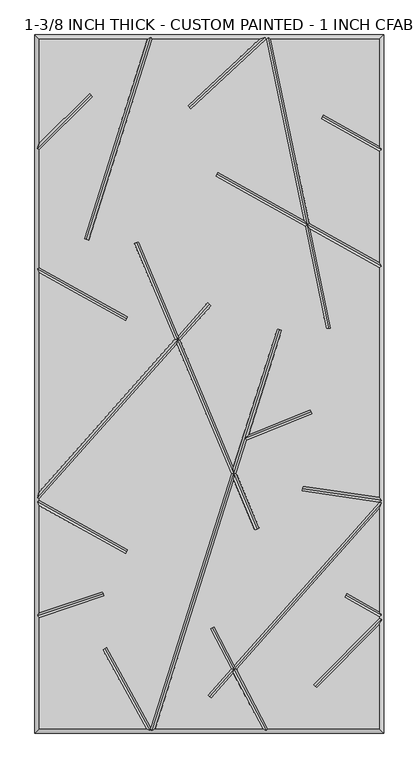
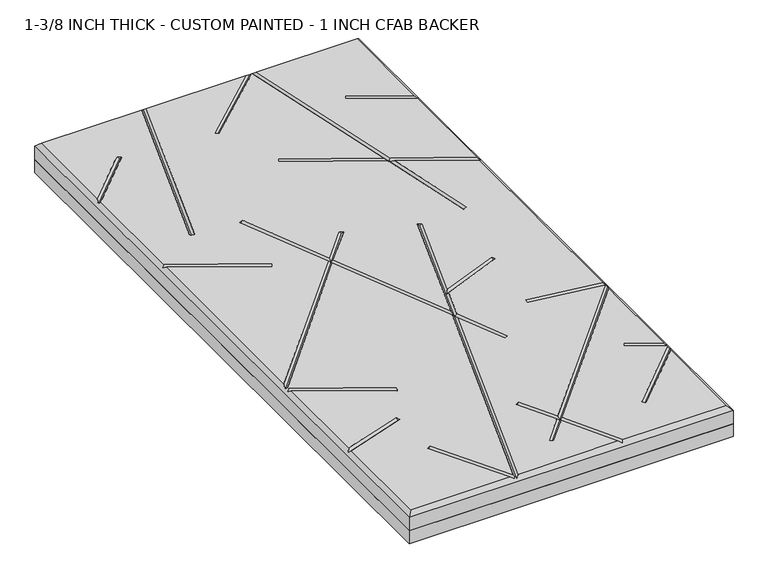
"""IFC4 building model written with IfcOpenShell, lengths in millimetres: proxy geometry, 1-3/8 INCH THICK - CUSTOM PAINTED - 1 INCH CFAB BACKER."""

from ifc_helpers import new_model, si_unit, frame, origin, place, context, project, spatial, polyline, outline, extrude, faceted_brep, source, transform, mapped, element, save


def proxy_1_3_8_inch_thick_custom_painted_1_inch_cfab_backer_9acb5f40(model_context):
    return source(origin(), model_context, "Body", "SolidModel", [
        extrude(outline(polyline([(-304.8, 609.6), (304.8, 609.6), (304.8, -609.6), (-304.8, -609.6), (-304.8, 609.6)])), frame((0.0, 0.0, -25.4), z_axis=(0.0, 0.0, 1.0), x_axis=(1.0, 0.0, 0.0)), (0.0, 0.0, 1.0), 25.4),
        faceted_brep([(-296.799, 601.599, 34.925), (-296.799, 420.0585614, 34.925), (-209.465267, 507.3922944, 34.925), (-203.8077056, 501.734733, 34.925), (-296.799, 408.7434386, 34.925), (-296.799, 203.3118869, 34.925), (-142.5916835, 117.1439143, 34.925), (-146.4945108, 110.1593642, 34.925), (-296.799, 194.1465147, 34.925), (-296.799, -188.1783655, 34.925), (-60.414797, 77.7314881, 34.925), (-130.9100687, 245.4965414, 34.925), (-123.5338229, 248.5960573, 34.925), (-54.5217155, 84.360647, 34.925), (-2.9898999, 142.3290618, 34.925), (2.9898999, 137.0132369, 34.925), (-51.0856167, 76.1833992, 34.925), (41.8198404, -144.9135422, 34.925), (118.4676512, 96.3670459, 34.925), (126.0931354, 93.9446518, 34.925), (68.2308495, -88.200751, 34.925), (176.389257, -44.7967941, 34.925), (179.3690728, -52.2222031, 34.925), (65.0919979, -98.0815805, 34.925), (46.6006106, -156.2908465, 34.925), (86.8913986, -252.1750957, 34.925), (79.5151528, -255.2746116, 34.925), (42.86425, -168.0525821, 34.925), (-94.8608114, -601.599, 34.925), (92.8718763, -601.599, 34.925), (41.9909547, -504.8565668, 34.925), (2.9898999, -548.7290618, 34.925), (-2.9898999, -543.4132369, 34.925), (38.011603, -497.2904271, 34.925), (1.2803392, -427.4514438, 34.925), (8.3616601, -423.7270787, 34.925), (43.691373, -490.9012234, 34.925), (296.799, -206.1791008, 34.925), (161.5180376, -186.5574472, 34.925), (162.66123, -178.6385386, 34.925), (296.799, -198.0029854, 34.925), (296.799, 203.0881131, 34.925), (176.1280645, 270.5166249, 34.925), (212.0312358, 97.6915725, 34.925), (204.1974911, 96.064168, 34.925), (166.8830535, 275.6825527, 34.925), (10.5996532, 363.0105994, 34.925), (14.5024805, 369.9951496, 34.925), (164.7289602, 286.0515892, 34.925), (99.1762375, 601.599, 34.925), (98.8402099, 601.599, 34.925), (-32.7718055, 479.8900914, 34.925), (-38.2040457, 485.7643375, 34.925), (87.055753, 601.599, 34.925), (-99.9441805, 601.599, 34.925), (-211.1838045, 251.4264167, 34.925), (-218.8092886, 253.8488108, 34.925), (-108.3391886, 601.599, 34.925), (101.9119977, -601.599, 34.925), (296.799, -601.599, 34.925), (296.799, -420.1587392, 34.925), (187.3700731, -530.5992999, 34.925), (181.6865411, -524.967829, 34.925), (296.799, -408.7911939, 34.925), (296.799, -406.5118869, 34.925), (236.129826, -372.6111626, 34.925), (240.0326533, -365.6266125, 34.925), (296.799, -397.3465147, 34.925), (296.799, -218.2216345, 34.925), (47.6707247, -498.4673632, 34.925), (173.9739712, 280.8856615, 34.925), (296.799, 212.2534853, 34.925), (296.799, 406.2881131, 34.925), (194.792886, 463.287095, 34.925), (198.6957133, 470.2716451, 34.925), (296.799, 415.4534853, 34.925), (296.799, 601.599, 34.925), (107.3480638, 601.599, 34.925), (38.0834798, -156.6752779, 34.925), (-56.9786982, 69.5542403, 34.925), (-296.799, -200.2208992, 34.925), (-296.799, -203.0881131, 34.925), (-142.5916835, -289.2560857, 34.925), (-146.4945108, -296.2406358, 34.925), (-296.799, -212.2534853, 34.925), (-296.799, -399.4880331, 34.925), (-186.4041101, -362.3555047, 34.925), (-183.8533173, -369.9390037, 34.925), (-296.799, -407.9295192, 34.925), (-296.799, -601.599, 34.925), (-110.5588891, -601.599, 34.925), (-186.2344077, -463.8225395, 34.925), (-179.2216231, -459.970676, 34.925), (-102.5869372, -599.4934169, 34.925), (-304.8, 609.6, 0.0), (304.8, 609.6, 0.0), (304.8, -609.6, 0.0), (-304.8, -609.6, 0.0), (-304.8, -609.6, 26.924), (-304.8, 609.6, 26.924), (304.8, -609.6, 26.924), (304.8, 609.6, 26.924), (-102.8708423, 605.5995, 30.9245), (97.2739907, 605.5995, 30.9245), (102.4310753, 605.5995, 30.9245), (-300.7995, -405.0543881, 30.9245), (-300.7995, -205.4353996, 30.9245), (-300.7995, -198.6998162, 30.9245), (-300.7995, 200.9646004, 30.9245), (-300.7995, 410.4005, 30.9245), (99.4959685, -605.5995, 30.9245), (-100.3291577, -605.5995, 30.9245), (-102.246608, -602.9785071, 33.5454929), (-103.7973268, -605.5995, 30.9245), (300.7995, 408.6353996, 30.9245), (300.7995, 205.4353996, 30.9245), (300.7995, -202.6224783, 30.9245), (300.7995, -207.7001838, 30.9245), (300.7995, -404.1646004, 30.9245), (300.7995, -410.4374833, 30.9245), (-206.6364863, 504.5635137, 30.9245), (-214.9965466, 252.6376137, 30.9245), (-144.5430971, 113.6516392, 30.9245), (12.5510669, 366.5028745, 30.9245), (170.4285124, 278.2841071, 30.9245), (-35.4879256, 482.8272145, 30.9245), (208.1143635, 96.8778703, 30.9245), (196.7442997, 466.77937, 30.9245), (122.2803933, 95.1558489, 30.9245), (42.3420452, -156.4830622, 30.9245), (61.850634, -95.0717351, 30.9245), (83.2032757, -253.7248536, 30.9245), (-127.2219458, 247.0462994, 30.9245), (-55.7502068, 76.9574436, 30.9245), (0.0, 139.6711493, 30.9245), (-185.1287137, -366.1472542, 30.9245), (-144.5430971, -292.7483608, 30.9245), (-182.7280154, -461.8966077, 30.9245), (4.8209997, -425.5892613, 30.9245), (42.8411639, -497.8788951, 30.9245), (184.5283071, -527.7835644, 30.9245), (238.0812397, -369.1188875, 30.9245), (0.0, -546.0711493, 30.9245), (162.0896338, -182.5979929, 30.9245), (177.8791649, -48.5094986, 30.9245)], [[[0, 1, 2, 3, 4, 5, 6, 7, 8, 9, 10, 11, 12, 13, 14, 15, 16, 17, 18, 19, 20, 21, 22, 23, 24, 25, 26, 27, 28, 29, 30, 31, 32, 33, 34, 35, 36, 37, 38, 39, 40, 41, 42, 43, 44, 45, 46, 47, 48, 49, 50, 51, 52, 53, 54, 55, 56, 57]], [[58, 59, 60, 61, 62, 63, 64, 65, 66, 67, 68, 69]], [[70, 71, 72, 73, 74, 75, 76, 77]], [[78, 79, 80, 81, 82, 83, 84, 85, 86, 87, 88, 89, 90, 91, 92, 93]], [[94, 95, 96, 97]], [[94, 97, 98, 99]], [[97, 96, 100, 98]], [[96, 95, 101, 100]], [[95, 94, 99, 101]], [[99, 0, 57, 102, 54, 53, 103, 50, 49, 104, 77, 76, 101]], [[0, 99, 98, 89, 88, 105, 85, 84, 106, 81, 80, 107, 9, 8, 108, 5, 4, 109, 1]], [[89, 98, 100, 59, 58, 110, 29, 28, 111, 112, 113, 90]], [[101, 76, 75, 114, 72, 71, 115, 41, 40, 116, 37, 117, 68, 67, 118, 64, 63, 119, 60, 59, 100]], [[2, 120, 3]], [[120, 2, 1, 109]], [[3, 120, 109, 4]], [[55, 121, 56]], [[121, 55, 54, 102]], [[56, 121, 102, 57]], [[6, 122, 7]], [[122, 6, 5, 108]], [[7, 122, 108, 8]], [[46, 123, 47]], [[41, 115, 124, 42]], [[123, 46, 45, 124]], [[115, 71, 70, 124]], [[47, 123, 124, 48]], [[51, 125, 52]], [[125, 51, 50, 103]], [[52, 125, 103, 53]], [[43, 126, 44]], [[44, 126, 124, 45]], [[124, 104, 49, 48]], [[126, 43, 42, 124]], [[104, 124, 70, 77]], [[73, 127, 74]], [[127, 73, 72, 114]], [[74, 127, 114, 75]], [[18, 128, 19]], [[111, 28, 27, 129]], [[19, 128, 130, 20]], [[129, 24, 23, 130]], [[128, 18, 17, 129, 130]], [[111, 129, 78, 93, 112]], [[25, 131, 26]], [[11, 132, 12]], [[78, 129, 133, 79]], [[26, 131, 129, 27]], [[132, 11, 10, 133]], [[129, 17, 16, 133]], [[131, 25, 24, 129]], [[12, 132, 133, 13]], [[14, 134, 15]], [[134, 14, 13, 133]], [[107, 133, 10, 9]], [[15, 134, 133, 16]], [[133, 107, 80, 79]], [[86, 135, 87]], [[135, 86, 85, 105]], [[87, 135, 105, 88]], [[82, 136, 83]], [[83, 136, 106, 84]], [[136, 82, 81, 106]], [[91, 137, 92]], [[137, 91, 90, 113]], [[92, 137, 113, 112, 93]], [[34, 138, 35]], [[29, 110, 139, 30]], [[138, 34, 33, 139]], [[110, 58, 69, 139]], [[35, 138, 139, 36]], [[61, 140, 62]], [[62, 140, 119, 63]], [[140, 61, 60, 119]], [[65, 141, 66]], [[141, 65, 64, 118]], [[66, 141, 118, 67]], [[31, 142, 32]], [[32, 142, 139, 33]], [[139, 117, 37, 36]], [[142, 31, 30, 139]], [[117, 139, 69, 68]], [[38, 143, 39]], [[143, 38, 37, 116]], [[39, 143, 116, 40]], [[21, 144, 22]], [[144, 21, 20, 130]], [[22, 144, 130, 23]]]),
    ])


if __name__ == "__main__":
    model = new_model("IFC4")
    model_context = context("Model", 3, world=origin())
    ifc_project = project(units=[si_unit("LENGTHUNIT", "METRE", prefix="MILLI")], contexts=[model_context])
    site = spatial("IfcSite", under=ifc_project)
    building = spatial("IfcBuilding", under=site)
    placement = place(None, origin())
    proxy_1_3_8_inch_thick_custom_painted_1_inch_cfab_backer_shape = proxy_1_3_8_inch_thick_custom_painted_1_inch_cfab_backer_9acb5f40(model_context)
    element("IfcBuildingElementProxy", 1, Name="1-3/8 INCH THICK - CUSTOM PAINTED - 1 INCH CFAB BACKER", ObjectType="1-3/8 INCH THICK - CUSTOM PAINTED - 1 INCH CFAB BACKER", at=placement, inside=building, context=model_context, shape_type="MappedRepresentation", body=[
        mapped(proxy_1_3_8_inch_thick_custom_painted_1_inch_cfab_backer_shape, transform((0.0, 0.0, 0.0), x_axis=(1.0, 0.0, 0.0), y_axis=(0.0, 1.0, 0.0), z_axis=(0.0, 0.0, 1.0))),
    ])
    save(model, "model.ifc")
